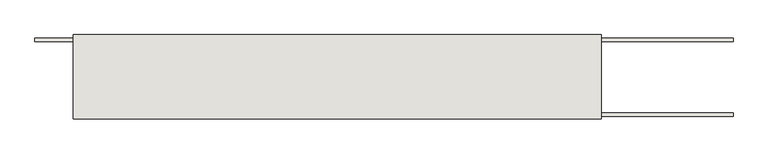
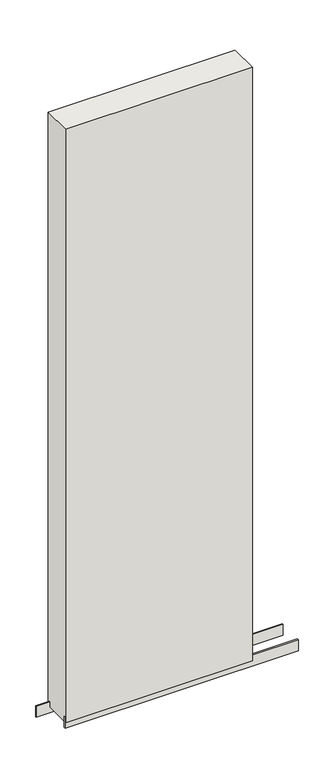
"""IFC4 building model written with IfcOpenShell, lengths in millimetres: wall geometry."""

from ifc_helpers import new_model, si_unit, frame, origin, place, context, project, spatial, polyline, outline, extrude, source, transform, mapped, element, save


def wall_f007d77b(model_context):
    return source(origin(), model_context, "Body", "SweptSolid", [
        extrude(outline(polyline([(52635.1140336, -39389.1845692), (52637.6540336, -39389.1845692), (52637.6540336, -39391.7245692), (52635.1140336, -39391.7245692), (52635.1140336, -39389.1845692)])), frame((0.0, 0.0, 4419.6), z_axis=(0.0, 0.0, 1.0), x_axis=(1.0, 0.0, 0.0)), (0.0, 0.0, 1.0), 2.54),
        extrude(outline(polyline([(51874.0646794, -39442.1351364), (52828.1676734, -39442.1351364), (52828.1676734, -39447.2169906), (51874.0646794, -39447.2169906), (51874.0646794, -39442.1351364)])), frame((0.0, 0.0, 4418.6602), z_axis=(0.0, 0.0, 1.0), x_axis=(1.0, 0.0, 0.0)), (0.0, 0.0, 1.0), 47.625),
        extrude(outline(polyline([(51874.0646794, -39442.1351364), (52828.1676734, -39442.1351364), (52828.1676734, -39447.2169906), (51874.0646794, -39447.2169906), (51874.0646794, -39442.1351364)])), frame((0.0, 0.0, 4418.6602), z_axis=(0.0, 0.0, 1.0), x_axis=(1.0, 0.0, 0.0)), (0.0, 0.0, 1.0), 47.625),
        extrude(outline(polyline([(52828.1676734, -39338.758508), (51818.7688286, -39338.758508), (51818.7688286, -39333.6766284), (52828.1676734, -39333.6766284), (52828.1676734, -39338.758508)])), frame((0.0, 0.0, 4418.6602), z_axis=(0.0, 0.0, 1.0), x_axis=(1.0, 0.0, 0.0)), (0.0, 0.0, 1.0), 47.625),
        extrude(outline(polyline([(52828.1676734, -39338.758508), (51818.7688286, -39338.758508), (51818.7688286, -39333.6766284), (52828.1676734, -39333.6766284), (52828.1676734, -39338.758508)])), frame((0.0, 0.0, 4418.6602), z_axis=(0.0, 0.0, 1.0), x_axis=(1.0, 0.0, 0.0)), (0.0, 0.0, 1.0), 47.625),
        extrude(outline(polyline([(51874.0646794, -39451.4058824), (51874.0646794, -39329.4877366), (52637.6676734, -39329.4877366), (52637.6676734, -39451.4058824), (51874.0646794, -39451.4058824)])), frame((0.0, 0.0, 4445.0), z_axis=(0.0, 0.0, 1.0), x_axis=(1.0, 0.0, 0.0)), (0.0, 0.0, 1.0), 2562.4536762),
    ])


if __name__ == "__main__":
    model = new_model("IFC4")
    model_context = context("Model", 3, world=origin())
    ifc_project = project(units=[si_unit("LENGTHUNIT", "METRE", prefix="MILLI")], contexts=[model_context])
    site = spatial("IfcSite", under=ifc_project)
    building = spatial("IfcBuilding", under=site)
    placement = place(None, origin())
    wall_shape = wall_f007d77b(model_context)
    element("IfcWall", 1, at=placement, inside=building, context=model_context, shape_type="MappedRepresentation", body=[
        mapped(wall_shape, transform((0.0, 0.0, 0.0), x_axis=(1.0, 0.0, 0.0), y_axis=(0.0, 1.0, 0.0), z_axis=(0.0, 0.0, 1.0))),
    ])
    save(model, "model.ifc")
